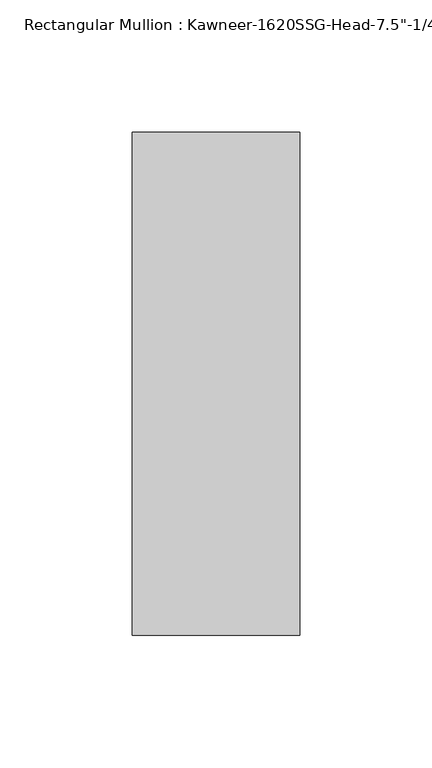
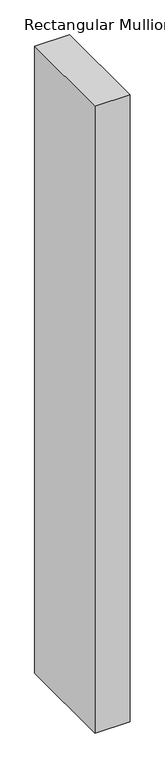
"""IFC4 building model written with IfcOpenShell, lengths in millimetres: member geometry."""

from ifc_helpers import new_model, si_unit, frame, origin, place, context, project, spatial, polyline, outline, extrude, source, transform, mapped, element, save


def member_a19d97d0(model_context):
    return source(origin(), model_context, "Body", "SweptSolid", [
        extrude(outline(polyline([(-63.5, 28.575), (0.0, 28.575), (0.0, -161.925), (-63.5, -161.925), (-63.5, 28.575)])), frame((0.0, 0.0, -1206.5), z_axis=(0.0, 0.0, 1.0), x_axis=(1.0, 0.0, 0.0)), (0.0, 0.0, 1.0), 1206.5),
    ])


if __name__ == "__main__":
    model = new_model("IFC4")
    model_context = context("Model", 3, world=origin())
    ifc_project = project(units=[si_unit("LENGTHUNIT", "METRE", prefix="MILLI")], contexts=[model_context])
    site = spatial("IfcSite", under=ifc_project)
    building = spatial("IfcBuilding", under=site)
    placement = place(None, origin())
    member_shape = member_a19d97d0(model_context)
    element("IfcMember", 1, ObjectType="Rectangular Mullion : Kawneer-1620SSG-Head-7.5\"-1/4\"Infill-1C", at=placement, inside=building, context=model_context, shape_type="MappedRepresentation", body=[
        mapped(member_shape, transform((0.0, 0.0, 0.0), x_axis=(1.0, 0.0, 0.0), y_axis=(0.0, 1.0, 0.0), z_axis=(0.0, 0.0, 1.0))),
    ])
    save(model, "model.ifc")
